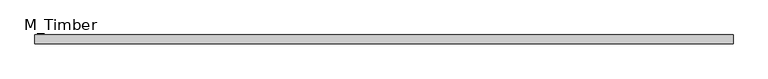
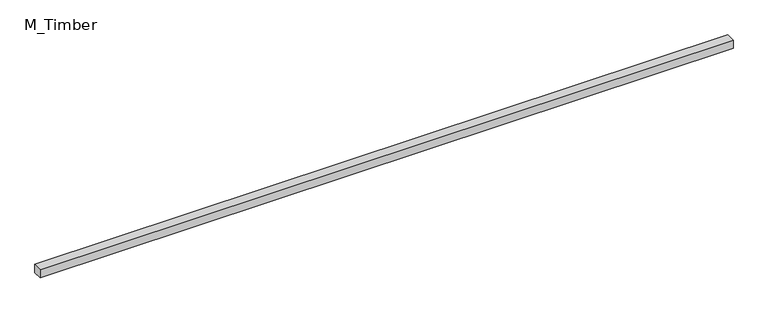
"""IFC4 building model written with IfcOpenShell, lengths in millimetres: beam geometry, M_Timber."""

from ifc_helpers import new_model, si_unit, frame, origin, place, context, project, spatial, polyline, outline, extrude, source, transform, mapped, element, save


def m_timber_8a8b3ed3(model_context):
    return source(origin(), model_context, "Body", "SweptSolid", [
        extrude(outline(polyline([(1554.0739393, 20.0), (1554.0739393, -20.0), (-1554.0739393, -20.0), (-1554.0739393, 20.0), (1554.0739393, 20.0)])), frame((0.0, 0.0, -20.0), z_axis=(0.0, 0.0, 1.0), x_axis=(1.0, 0.0, 0.0)), (0.0, 0.0, 1.0), 40.0),
    ])


if __name__ == "__main__":
    model = new_model("IFC4")
    model_context = context("Model", 3, world=origin())
    ifc_project = project(units=[si_unit("LENGTHUNIT", "METRE", prefix="MILLI")], contexts=[model_context])
    site = spatial("IfcSite", under=ifc_project)
    building = spatial("IfcBuilding", under=site)
    placement = place(None, origin())
    m_timber_shape = m_timber_8a8b3ed3(model_context)
    element("IfcBeam", 1, ObjectType="M_Timber", at=placement, inside=building, context=model_context, shape_type="MappedRepresentation", body=[
        mapped(m_timber_shape, transform((0.0, 0.0, 0.0), x_axis=(1.0, 0.0, 0.0), y_axis=(0.0, 1.0, 0.0), z_axis=(0.0, 0.0, 1.0))),
    ])
    save(model, "model.ifc")
